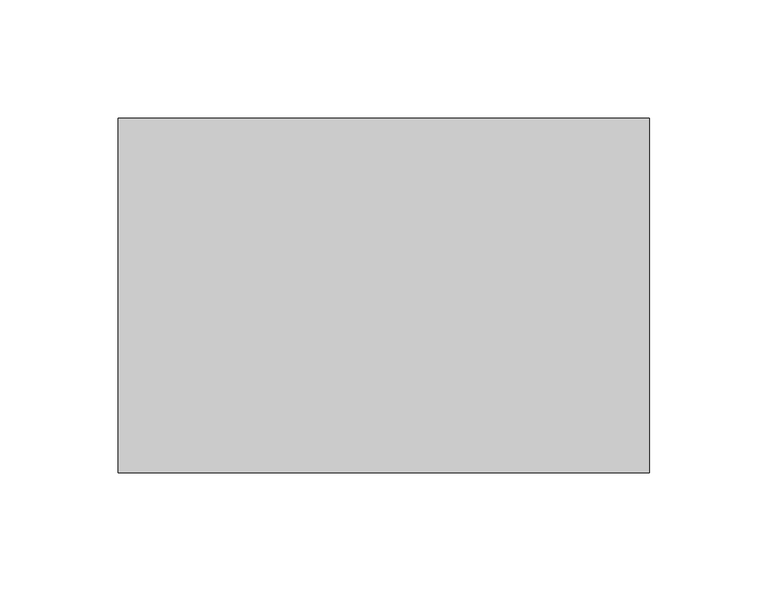
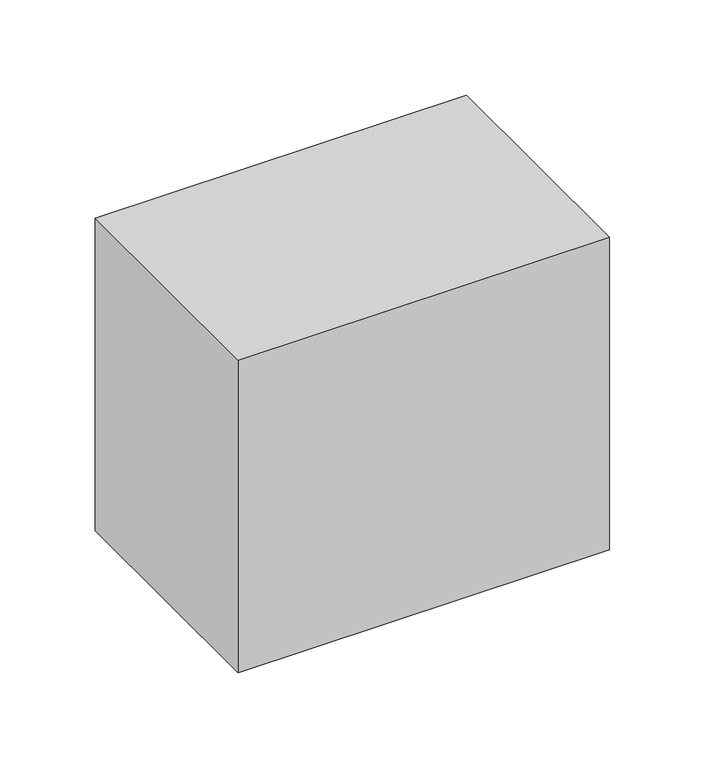
"""IFC4 building model written with IfcOpenShell, lengths in millimetres: proxy geometry."""

import ifcopenshell
import ifcopenshell.guid

model = None  # the IFC model being written
_history = None  # IfcOwnerHistory: only IFC2X3 demands one
_inside = {}  # id of a spatial element -> (the spatial element, [elements in it])
_under = {}  # id of a project, library or spatial element -> (it, [spatial elements below it])
_declared = {}  # id of a project -> (the project, [libraries it declares])
_typed = {}  # id of a type object -> (the type object, [elements of that type])
_made_of = {}  # id of a material, layer set ... -> (it, [elements and type objects made of it])


def new_model(schema):
    """Start an empty IFC model of exactly this schema.

    Asked for "IFC4X3", IfcOpenShell would pick the latest addendum, in which some entities
    have other attributes; the version numbers below select the first issue.
    IFC2X3 requires an IfcOwnerHistory on every rooted entity: one is made here for all.
    """
    global model, _history
    if schema == "IFC4X3":
        model = ifcopenshell.file(schema_version=(4, 3, 0, 0))
    else:
        model = ifcopenshell.file(schema=schema)
    _inside.clear()
    _under.clear()
    _declared.clear()
    _typed.clear()
    _made_of.clear()
    _history = None
    if model.schema == "IFC2X3":
        org = make("IfcOrganization", Name="unknown")
        user = make(
            "IfcPersonAndOrganization",
            ThePerson=make("IfcPerson", FamilyName="unknown"),
            TheOrganization=org,
        )
        app = make(
            "IfcApplication",
            ApplicationDeveloper=org,
            Version="unknown",
            ApplicationFullName="unknown",
            ApplicationIdentifier="unknown",
        )
        _history = make(
            "IfcOwnerHistory",
            OwningUser=user,
            OwningApplication=app,
            ChangeAction="ADDED",
            CreationDate=0,
        )
    return model


def make(cls, **values):
    """One entity of the class cls with the attributes given. An attribute that is None is left unset."""
    return model.create_entity(
        cls, **{name: value for name, value in values.items() if value is not None}
    )


def rooted(cls, **values):
    """An entity with a GlobalId (a new one), such as an element, a storey or a relation."""
    return make(cls, GlobalId=ifcopenshell.guid.new(), OwnerHistory=_history, **values)


def si_unit(unit_type, name, prefix=None):
    """IfcSIUnit, for example si_unit("LENGTHUNIT", "METRE", prefix="MILLI")."""
    return make("IfcSIUnit", UnitType=unit_type, Prefix=prefix, Name=name)


def assignment(units):
    """IfcUnitAssignment: the units of a project."""
    return None if units is None else make("IfcUnitAssignment", Units=units)


def point(xyz):
    """IfcCartesianPoint."""
    return None if xyz is None else make("IfcCartesianPoint", Coordinates=xyz)


def direction(xyz):
    """IfcDirection."""
    return None if xyz is None else make("IfcDirection", DirectionRatios=xyz)


def frame(location, z_axis=None, x_axis=None):
    """IfcAxis2Placement3D, a coordinate frame: its origin and axes. An axis left out is left unset."""
    return make(
        "IfcAxis2Placement3D",
        Location=point(location),
        Axis=direction(z_axis),
        RefDirection=direction(x_axis),
    )


def origin():
    """The frame at (0, 0, 0) with its axes left unset."""
    return frame((0.0, 0.0, 0.0))


def place(relative_to, where):
    """IfcLocalPlacement: puts the frame where relative to a parent placement (None: the world)."""
    return make(
        "IfcLocalPlacement", PlacementRelTo=relative_to, RelativePlacement=where
    )


def context(
    kind, dimensions, precision=None, world=None, true_north=None, identifier=None
):
    """IfcGeometricRepresentationContext, for example the 3D "Model" context."""
    return make(
        "IfcGeometricRepresentationContext",
        ContextIdentifier=identifier,
        ContextType=kind,
        CoordinateSpaceDimension=dimensions,
        Precision=precision,
        WorldCoordinateSystem=world,
        TrueNorth=true_north,
    )


def project(units=None, contexts=None):
    """IfcProject with its units and contexts."""
    return rooted(
        "IfcProject",
        Name="project",
        RepresentationContexts=contexts,
        UnitsInContext=assignment(units),
    )


def spatial(cls, under=None, at=None, **own):
    """A site, building, storey or space (cls), placed at a placement, below another one or the project."""
    s = rooted(cls, ObjectPlacement=at, **own)
    if under is not None:
        _under.setdefault(under.id(), (under, []))[1].append(s)
    return s


def polyline(points):
    """IfcPolyline through the points."""
    return make("IfcPolyline", Points=[point(p) for p in points])


def outline(outer, holes=None, kind="AREA"):
    """IfcArbitraryClosedProfileDef: a profile drawn as a closed curve; with holes, ...WithVoids."""
    if holes is None:
        return make("IfcArbitraryClosedProfileDef", ProfileType=kind, OuterCurve=outer)
    return make(
        "IfcArbitraryProfileDefWithVoids",
        ProfileType=kind,
        OuterCurve=outer,
        InnerCurves=holes,
    )


def extrude(swept, where, along, depth):
    """IfcExtrudedAreaSolid: the profile swept, set in the frame where, extruded along a direction by depth."""
    return make(
        "IfcExtrudedAreaSolid",
        SweptArea=swept,
        Position=where,
        ExtrudedDirection=direction(along),
        Depth=depth,
    )


def shape(context_of_items, identifier, shape_type, items):
    """IfcShapeRepresentation: the items that make up one representation, for example the "Body"."""
    return make(
        "IfcShapeRepresentation",
        ContextOfItems=context_of_items,
        RepresentationIdentifier=identifier,
        RepresentationType=shape_type,
        Items=items,
    )


def source(mapping_origin, context_of_items, identifier, shape_type, items):
    """IfcRepresentationMap: a shape defined once, which mapped items show again and again."""
    return make(
        "IfcRepresentationMap",
        MappingOrigin=mapping_origin,
        MappedRepresentation=shape(context_of_items, identifier, shape_type, items),
    )


def transform(
    local_origin,
    x_axis=None,
    y_axis=None,
    z_axis=None,
    scale=None,
    scale2=None,
    scale3=None,
    uniform=True,
):
    """IfcCartesianTransformationOperator3D, or its non-uniform kind. x_axis, y_axis, z_axis: its Axis1, 2, 3."""
    if uniform:
        return make(
            "IfcCartesianTransformationOperator3D",
            Axis1=direction(x_axis),
            Axis2=direction(y_axis),
            LocalOrigin=point(local_origin),
            Scale=scale,
            Axis3=direction(z_axis),
        )
    return make(
        "IfcCartesianTransformationOperator3DnonUniform",
        Axis1=direction(x_axis),
        Axis2=direction(y_axis),
        LocalOrigin=point(local_origin),
        Scale=scale,
        Axis3=direction(z_axis),
        Scale2=scale2,
        Scale3=scale3,
    )


def mapped(mapping_source, mapping_target):
    """IfcMappedItem: shows the shape of a source again, moved by a transform."""
    return make(
        "IfcMappedItem", MappingSource=mapping_source, MappingTarget=mapping_target
    )


def made_of(thing, what):
    """Note that an element or type object is made of a material, layer set ...; save() writes the relation."""
    if what is not None:
        _made_of.setdefault(what.id(), (what, []))[1].append(thing)
    return thing


def element(
    cls,
    number,
    at=None,
    inside=None,
    cuts=None,
    type_object=None,
    material=None,
    context=None,
    identifier="Body",
    shape_type=None,
    held_by="IfcProductDefinitionShape",
    body=None,
    shapes=None,
    **own,
):
    """One element of the class cls, such as IfcWall. Its Tag is "e" and its number.

    at: its placement. inside: the storey or other place that contains it. cuts: it is an
    opening in that element (IfcRelVoidsElement). A single representation is given by context,
    identifier, shape_type and body (its items); several are given by shapes. held_by: the class
    of the entity that holds the representations. save() writes the other relations.
    """
    e = rooted(cls, Tag="e%d" % number, ObjectPlacement=at, **own)
    if body is not None:
        shapes = [shape(context, identifier, shape_type, body)]
    if shapes is not None:
        e.Representation = make(held_by, Representations=shapes)
    if inside is not None:
        _inside.setdefault(inside.id(), (inside, []))[1].append(e)
    if cuts is not None:
        rooted(
            "IfcRelVoidsElement", RelatingBuildingElement=cuts, RelatedOpeningElement=e
        )
    if type_object is not None:
        _typed.setdefault(type_object.id(), (type_object, []))[1].append(e)
    return made_of(e, material)


def aggregate(whole, parts):
    """IfcRelAggregates: a whole, such as a stair, and the parts it consists of."""
    return rooted("IfcRelAggregates", RelatingObject=whole, RelatedObjects=parts)


def save(model, path):
    """Write the relations noted so far, then the file.

    IfcRelAggregates (storeys below a building ...), IfcRelContainedInSpatialStructure (elements
    in a storey), IfcRelDefinesByType, IfcRelAssociatesMaterial and IfcRelDeclares: one each for
    every whole, place, type object, material and project.
    """
    for whole, parts in _under.values():
        aggregate(whole, parts)
    for where, things in _inside.values():
        rooted(
            "IfcRelContainedInSpatialStructure",
            RelatedElements=things,
            RelatingStructure=where,
        )
    for kind, things in _typed.values():
        rooted("IfcRelDefinesByType", RelatedObjects=things, RelatingType=kind)
    for what, things in _made_of.values():
        rooted("IfcRelAssociatesMaterial", RelatedObjects=things, RelatingMaterial=what)
    for by, libraries in _declared.values():
        rooted("IfcRelDeclares", RelatingContext=by, RelatedDefinitions=libraries)
    model.write(path)


def generic_models_cd24996e(model_context):
    return source(origin(), model_context, "Body", "SweptSolid", [
        extrude(outline(polyline([(112.5, 75.0), (112.5, -75.0), (-112.5, -75.0), (-112.5, 75.0), (112.5, 75.0)])), frame((0.0, 0.0, -200.0), z_axis=(0.0, 0.0, 1.0), x_axis=(1.0, 0.0, 0.0)), (0.0, 0.0, 1.0), 200.0),
    ])


if __name__ == "__main__":
    model = new_model("IFC4")
    model_context = context("Model", 3, world=origin())
    ifc_project = project(units=[si_unit("LENGTHUNIT", "METRE", prefix="MILLI")], contexts=[model_context])
    site = spatial("IfcSite", under=ifc_project)
    building = spatial("IfcBuilding", under=site)
    placement = place(None, origin())
    generic_models_shape = generic_models_cd24996e(model_context)
    element("IfcBuildingElementProxy", 1, Name="Generic Models", at=placement, inside=building, context=model_context, shape_type="MappedRepresentation", body=[
        mapped(generic_models_shape, transform((0.0, 0.0, 0.0), x_axis=(1.0, 0.0, 0.0), y_axis=(0.0, 1.0, 0.0), z_axis=(0.0, 0.0, 1.0))),
    ])
    save(model, "model.ifc")
